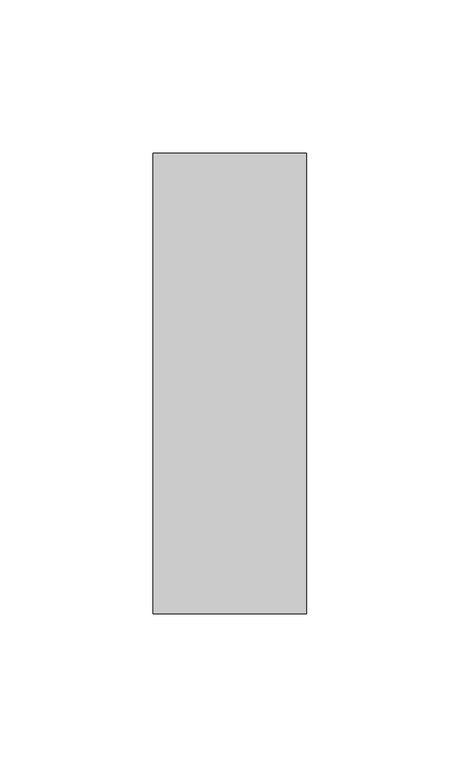
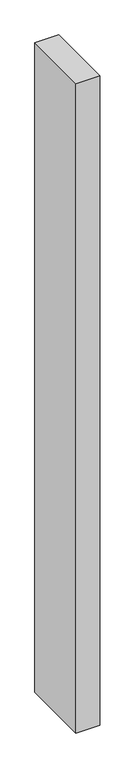
"""IFC4 building model written with IfcOpenShell, lengths in millimetres: member geometry."""

from ifc_helpers import new_model, si_unit, frame, origin, place, context, project, spatial, polyline, outline, extrude, source, transform, mapped, element, save


def member_5a145be0(model_context):
    return source(origin(), model_context, "Body", "SweptSolid", [
        extrude(outline(polyline([(0.0, 75.0), (0.0, -75.0), (-50.0, -75.0), (-50.0, 75.0), (0.0, 75.0)])), frame((0.0, 0.0, -1450.0), z_axis=(0.0, 0.0, 1.0), x_axis=(1.0, 0.0, 0.0)), (0.0, 0.0, 1.0), 1450.0),
    ])


if __name__ == "__main__":
    model = new_model("IFC4")
    model_context = context("Model", 3, world=origin())
    ifc_project = project(units=[si_unit("LENGTHUNIT", "METRE", prefix="MILLI")], contexts=[model_context])
    site = spatial("IfcSite", under=ifc_project)
    building = spatial("IfcBuilding", under=site)
    placement = place(None, origin())
    member_shape = member_5a145be0(model_context)
    element("IfcMember", 1, at=placement, inside=building, context=model_context, shape_type="MappedRepresentation", body=[
        mapped(member_shape, transform((0.0, 0.0, 0.0), x_axis=(1.0, 0.0, 0.0), y_axis=(0.0, 1.0, 0.0), z_axis=(0.0, 0.0, 1.0))),
    ])
    save(model, "model.ifc")
